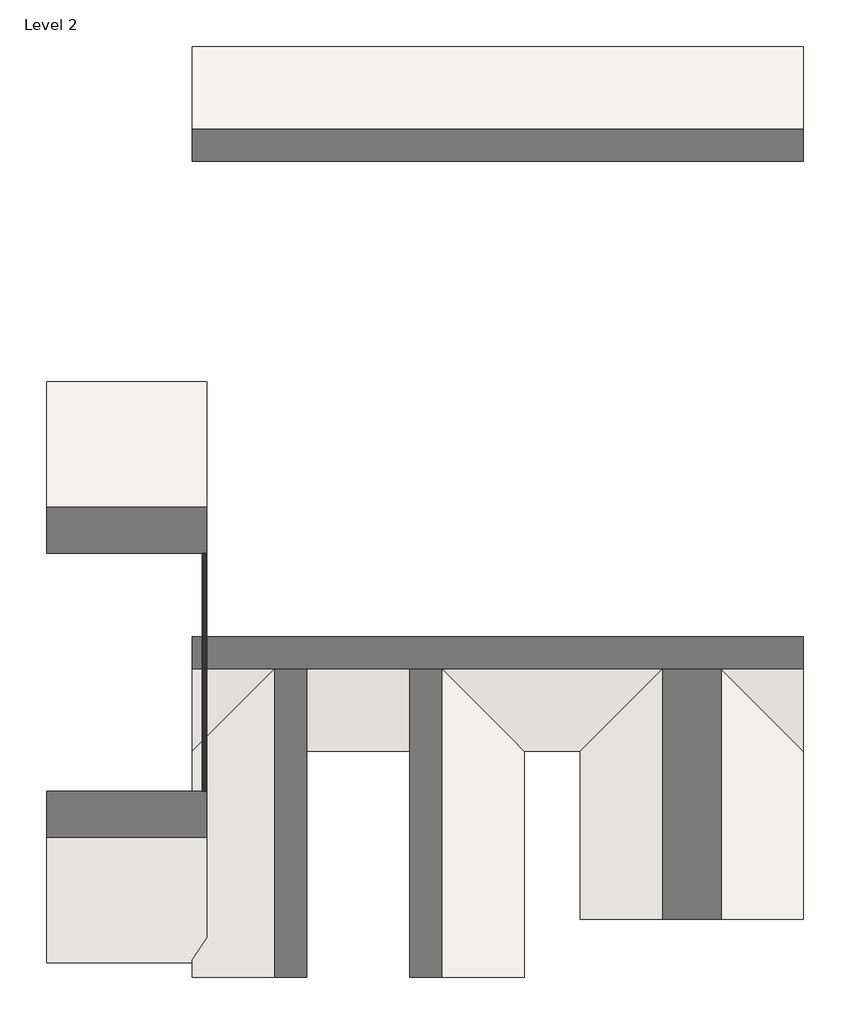
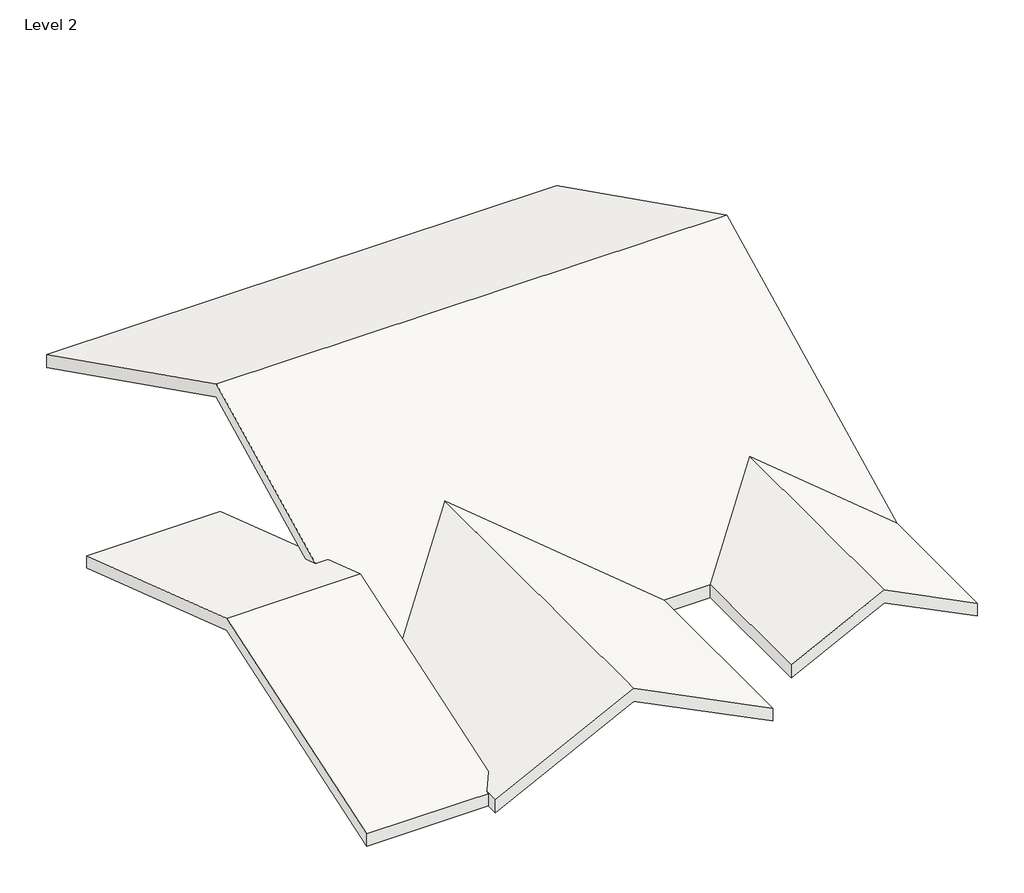
# One storey: 4 roofs, 1 wall.
"""IFC4 building model written with IfcOpenShell, lengths in millimetres."""

from ifc_helpers import new_model, si_unit, frame, origin, place, context, project, spatial, polyline, outline, extrude, faceted_brep, element, save

model = new_model("IFC4")

# Units and contexts
model_context = context("Model", 3, world=origin())
ifc_project = project(units=[si_unit("LENGTHUNIT", "METRE", prefix="MILLI")], contexts=[model_context])

# Site, building, storey
site = spatial("IfcSite", under=ifc_project)
building = spatial("IfcBuilding", under=site)
storey = spatial("IfcBuildingStorey", under=building, Name="Level 2", Elevation=3048.0)

# Roofs
placement = place(None, origin())
element("IfcRoof", 1, ObjectType="Generic - 12\"", at=placement, inside=storey, context=model_context, shape_type="Brep", body=[
    faceted_brep([(4931.2225256, -7432.008337, 4216.3470165), (2594.5284925, -7432.008337, 3048.0), (2594.5284925, -3914.108337, 3048.0), (3276.082012, -3914.108337, 3388.7767598), (4931.2225256, -2258.9678234, 4216.3470165), (7267.9165587, -3914.108337, 3048.0), (7267.9165587, -7432.008337, 3048.0), (6586.3630391, -3914.108337, 3388.7767598), (2594.5284925, -7432.008337, 3388.7767598), (4931.2225256, -7432.008337, 4557.1237763), (4931.2225256, -1577.4143039, 4557.1237763), (2594.5284925, -3914.108337, 3388.7767598), (7267.9165587, -7432.008337, 3388.7767598), (7267.9165587, -3914.108337, 3388.7767598)], [[[0, 1, 2, 3, 4]], [[5, 6, 0, 4, 7]], [[8, 9, 10, 11]], [[12, 13, 10, 9]], [[5, 13, 12, 6]], [[1, 8, 11, 2]], [[12, 9, 8, 1, 0, 6]], [[11, 10, 13, 7, 4, 3]], [[3, 2, 11]], [[13, 5, 7]]]),
])
element("IfcRoof", 2, ObjectType="Generic - 12\"", at=placement, inside=storey, context=model_context, shape_type="SweptSolid", body=[
    extrude(outline(polyline([(-3914.108337, 3388.7767598), (3467.766663, 7079.7142598), (10849.641663, 3388.7767598), (10849.641663, 3048.0), (3467.766663, 6738.9375), (-3914.108337, 3048.0), (-3914.108337, 3388.7767598)])), frame((-5533.5774744, 0.0, 0.0), z_axis=(1.0, 0.0, 0.0), x_axis=(0.0, 1.0, 0.0)), (0.0, 0.0, 1.0), 12801.4940331),
])
element("IfcRoof", 3, ObjectType="Generic - 12\"", at=placement, inside=storey, context=model_context, shape_type="SweptSolid", body=[
    extrude(outline(polyline([(-8346.408337, 3369.2874103), (-2256.758337, 5399.1707436), (3832.891663, 3369.2874103), (3832.891663, 3048.0), (-2256.758337, 5077.8833333), (-8346.408337, 3048.0), (-8346.408337, 3369.2874103)])), frame((-8581.5774744, 0.0, 0.0), z_axis=(1.0, 0.0, 0.0), x_axis=(0.0, 1.0, 0.0)), (0.0, 0.0, 1.0), 3352.8),
])
element("IfcRoof", 4, ObjectType="Generic - 12\"", at=placement, inside=storey, context=model_context, shape_type="Brep", body=[
    faceted_brep([(-2053.7774744, -8651.208337, 4787.9), (-5533.5774744, -8651.208337, 3048.0), (-5533.5774744, -3914.108337, 3048.0), (-4852.0239549, -3914.108337, 3388.7767598), (-2053.7774744, -1115.8618565, 4787.9), (1426.0225256, -3914.108337, 3048.0), (1426.0225256, -8651.208337, 3048.0), (744.469006, -3914.108337, 3388.7767598), (-5533.5774744, -8651.208337, 3388.7767598), (-2053.7774744, -8651.208337, 5128.6767598), (-2053.7774744, -434.308337, 5128.6767598), (-5533.5774744, -3914.108337, 3388.7767598), (1426.0225256, -8651.208337, 3388.7767598), (1426.0225256, -3914.108337, 3388.7767598)], [[[0, 1, 2, 3, 4]], [[5, 6, 0, 4, 7]], [[8, 9, 10, 11]], [[12, 13, 10, 9]], [[5, 13, 12, 6]], [[1, 8, 11, 2]], [[12, 9, 8, 1, 0, 6]], [[11, 10, 13, 7, 4, 3]], [[3, 2, 11]], [[13, 5, 7]]]),
])

# Wall
element("IfcWall", 5, ObjectType="Generic - 3.5\"", at=placement, inside=storey, context=model_context, shape_type="Brep", body=[
    faceted_brep([(-5317.6774744, 3439.191663, 2946.4), (-5317.6774744, -7952.708337, 2946.4), (-5317.6774744, -7952.708337, 3179.2333333), (-5317.6774744, -2256.758337, 5077.8833333), (-5317.6774744, 3439.191663, 3179.2333333), (-5228.7774744, 3439.191663, 2946.4), (-5228.7774744, 3439.191663, 3179.2333333), (-5228.7774744, -2256.758337, 5077.8833333), (-5228.7774744, -7952.708337, 3179.2333333), (-5228.7774744, -7952.708337, 3048.0), (-5228.7774744, -7952.708337, 2946.4)], [[[0, 1, 2, 3, 4]], [[5, 6, 7, 8, 9, 10]], [[1, 0, 5, 10]], [[4, 3, 7, 6]], [[3, 2, 8, 7]], [[2, 1, 10, 9, 8]], [[0, 4, 6, 5]]]),
])

save(model, "model.ifc")
